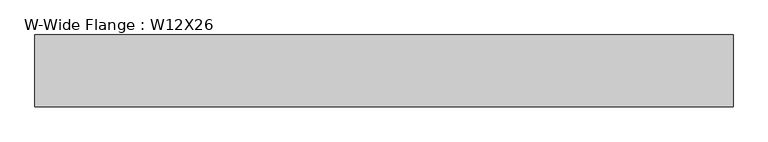
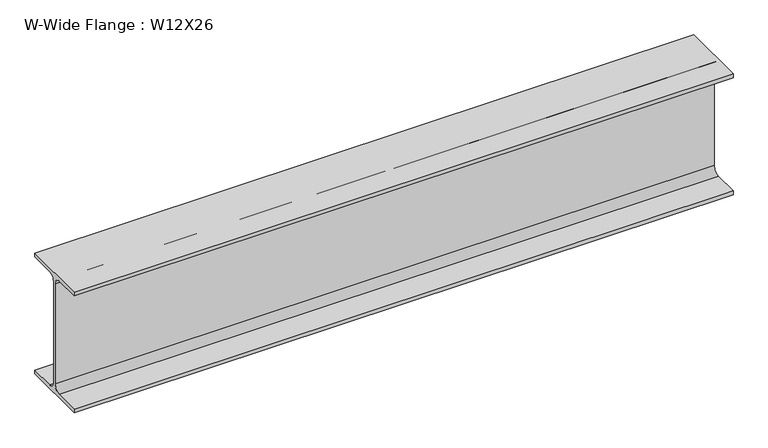
"""IFC4 building model written with IfcOpenShell, lengths in millimetres: beam geometry, W-Wide Flange : W12X26."""

import ifcopenshell
import ifcopenshell.guid

model = None  # the IFC model being written
_history = None  # IfcOwnerHistory: only IFC2X3 demands one
_inside = {}  # id of a spatial element -> (the spatial element, [elements in it])
_under = {}  # id of a project, library or spatial element -> (it, [spatial elements below it])
_declared = {}  # id of a project -> (the project, [libraries it declares])
_typed = {}  # id of a type object -> (the type object, [elements of that type])
_made_of = {}  # id of a material, layer set ... -> (it, [elements and type objects made of it])


def new_model(schema):
    """Start an empty IFC model of exactly this schema.

    Asked for "IFC4X3", IfcOpenShell would pick the latest addendum, in which some entities
    have other attributes; the version numbers below select the first issue.
    IFC2X3 requires an IfcOwnerHistory on every rooted entity: one is made here for all.
    """
    global model, _history
    if schema == "IFC4X3":
        model = ifcopenshell.file(schema_version=(4, 3, 0, 0))
    else:
        model = ifcopenshell.file(schema=schema)
    _inside.clear()
    _under.clear()
    _declared.clear()
    _typed.clear()
    _made_of.clear()
    _history = None
    if model.schema == "IFC2X3":
        org = make("IfcOrganization", Name="unknown")
        user = make(
            "IfcPersonAndOrganization",
            ThePerson=make("IfcPerson", FamilyName="unknown"),
            TheOrganization=org,
        )
        app = make(
            "IfcApplication",
            ApplicationDeveloper=org,
            Version="unknown",
            ApplicationFullName="unknown",
            ApplicationIdentifier="unknown",
        )
        _history = make(
            "IfcOwnerHistory",
            OwningUser=user,
            OwningApplication=app,
            ChangeAction="ADDED",
            CreationDate=0,
        )
    return model


def make(cls, **values):
    """One entity of the class cls with the attributes given. An attribute that is None is left unset."""
    return model.create_entity(
        cls, **{name: value for name, value in values.items() if value is not None}
    )


def rooted(cls, **values):
    """An entity with a GlobalId (a new one), such as an element, a storey or a relation."""
    return make(cls, GlobalId=ifcopenshell.guid.new(), OwnerHistory=_history, **values)


def si_unit(unit_type, name, prefix=None):
    """IfcSIUnit, for example si_unit("LENGTHUNIT", "METRE", prefix="MILLI")."""
    return make("IfcSIUnit", UnitType=unit_type, Prefix=prefix, Name=name)


def assignment(units):
    """IfcUnitAssignment: the units of a project."""
    return None if units is None else make("IfcUnitAssignment", Units=units)


def point(xyz):
    """IfcCartesianPoint."""
    return None if xyz is None else make("IfcCartesianPoint", Coordinates=xyz)


def direction(xyz):
    """IfcDirection."""
    return None if xyz is None else make("IfcDirection", DirectionRatios=xyz)


def frame(location, z_axis=None, x_axis=None):
    """IfcAxis2Placement3D, a coordinate frame: its origin and axes. An axis left out is left unset."""
    return make(
        "IfcAxis2Placement3D",
        Location=point(location),
        Axis=direction(z_axis),
        RefDirection=direction(x_axis),
    )


def frame_2d(location, x_axis=None):
    """IfcAxis2Placement2D, a coordinate frame in the plane: its origin and x axis."""
    return make(
        "IfcAxis2Placement2D", Location=point(location), RefDirection=direction(x_axis)
    )


def origin():
    """The frame at (0, 0, 0) with its axes left unset."""
    return frame((0.0, 0.0, 0.0))


def place(relative_to, where):
    """IfcLocalPlacement: puts the frame where relative to a parent placement (None: the world)."""
    return make(
        "IfcLocalPlacement", PlacementRelTo=relative_to, RelativePlacement=where
    )


def context(
    kind, dimensions, precision=None, world=None, true_north=None, identifier=None
):
    """IfcGeometricRepresentationContext, for example the 3D "Model" context."""
    return make(
        "IfcGeometricRepresentationContext",
        ContextIdentifier=identifier,
        ContextType=kind,
        CoordinateSpaceDimension=dimensions,
        Precision=precision,
        WorldCoordinateSystem=world,
        TrueNorth=true_north,
    )


def project(units=None, contexts=None):
    """IfcProject with its units and contexts."""
    return rooted(
        "IfcProject",
        Name="project",
        RepresentationContexts=contexts,
        UnitsInContext=assignment(units),
    )


def spatial(cls, under=None, at=None, **own):
    """A site, building, storey or space (cls), placed at a placement, below another one or the project."""
    s = rooted(cls, ObjectPlacement=at, **own)
    if under is not None:
        _under.setdefault(under.id(), (under, []))[1].append(s)
    return s


def polyline(points):
    """IfcPolyline through the points."""
    return make("IfcPolyline", Points=[point(p) for p in points])


def circle_curve(where, radius):
    """IfcCircle in the frame where."""
    return make("IfcCircle", Position=where, Radius=radius)


def trimmed(basis, trim1, trim2, sense, master):
    """IfcTrimmedCurve: the piece of a basis curve between two trims."""
    return make(
        "IfcTrimmedCurve",
        BasisCurve=basis,
        Trim1=trim1,
        Trim2=trim2,
        SenseAgreement=sense,
        MasterRepresentation=master,
    )


def segment(curve, same_sense, transition):
    """IfcCompositeCurveSegment."""
    return make(
        "IfcCompositeCurveSegment",
        Transition=transition,
        SameSense=same_sense,
        ParentCurve=curve,
    )


def composite_curve(segments, self_intersect=None):
    """IfcCompositeCurve: segments joined end to end."""
    return make("IfcCompositeCurve", Segments=segments, SelfIntersect=self_intersect)


def outline(outer, holes=None, kind="AREA"):
    """IfcArbitraryClosedProfileDef: a profile drawn as a closed curve; with holes, ...WithVoids."""
    if holes is None:
        return make("IfcArbitraryClosedProfileDef", ProfileType=kind, OuterCurve=outer)
    return make(
        "IfcArbitraryProfileDefWithVoids",
        ProfileType=kind,
        OuterCurve=outer,
        InnerCurves=holes,
    )


def extrude(swept, where, along, depth):
    """IfcExtrudedAreaSolid: the profile swept, set in the frame where, extruded along a direction by depth."""
    return make(
        "IfcExtrudedAreaSolid",
        SweptArea=swept,
        Position=where,
        ExtrudedDirection=direction(along),
        Depth=depth,
    )


def shape(context_of_items, identifier, shape_type, items):
    """IfcShapeRepresentation: the items that make up one representation, for example the "Body"."""
    return make(
        "IfcShapeRepresentation",
        ContextOfItems=context_of_items,
        RepresentationIdentifier=identifier,
        RepresentationType=shape_type,
        Items=items,
    )


def source(mapping_origin, context_of_items, identifier, shape_type, items):
    """IfcRepresentationMap: a shape defined once, which mapped items show again and again."""
    return make(
        "IfcRepresentationMap",
        MappingOrigin=mapping_origin,
        MappedRepresentation=shape(context_of_items, identifier, shape_type, items),
    )


def transform(
    local_origin,
    x_axis=None,
    y_axis=None,
    z_axis=None,
    scale=None,
    scale2=None,
    scale3=None,
    uniform=True,
):
    """IfcCartesianTransformationOperator3D, or its non-uniform kind. x_axis, y_axis, z_axis: its Axis1, 2, 3."""
    if uniform:
        return make(
            "IfcCartesianTransformationOperator3D",
            Axis1=direction(x_axis),
            Axis2=direction(y_axis),
            LocalOrigin=point(local_origin),
            Scale=scale,
            Axis3=direction(z_axis),
        )
    return make(
        "IfcCartesianTransformationOperator3DnonUniform",
        Axis1=direction(x_axis),
        Axis2=direction(y_axis),
        LocalOrigin=point(local_origin),
        Scale=scale,
        Axis3=direction(z_axis),
        Scale2=scale2,
        Scale3=scale3,
    )


def mapped(mapping_source, mapping_target):
    """IfcMappedItem: shows the shape of a source again, moved by a transform."""
    return make(
        "IfcMappedItem", MappingSource=mapping_source, MappingTarget=mapping_target
    )


def made_of(thing, what):
    """Note that an element or type object is made of a material, layer set ...; save() writes the relation."""
    if what is not None:
        _made_of.setdefault(what.id(), (what, []))[1].append(thing)
    return thing


def element(
    cls,
    number,
    at=None,
    inside=None,
    cuts=None,
    type_object=None,
    material=None,
    context=None,
    identifier="Body",
    shape_type=None,
    held_by="IfcProductDefinitionShape",
    body=None,
    shapes=None,
    **own,
):
    """One element of the class cls, such as IfcWall. Its Tag is "e" and its number.

    at: its placement. inside: the storey or other place that contains it. cuts: it is an
    opening in that element (IfcRelVoidsElement). A single representation is given by context,
    identifier, shape_type and body (its items); several are given by shapes. held_by: the class
    of the entity that holds the representations. save() writes the other relations.
    """
    e = rooted(cls, Tag="e%d" % number, ObjectPlacement=at, **own)
    if body is not None:
        shapes = [shape(context, identifier, shape_type, body)]
    if shapes is not None:
        e.Representation = make(held_by, Representations=shapes)
    if inside is not None:
        _inside.setdefault(inside.id(), (inside, []))[1].append(e)
    if cuts is not None:
        rooted(
            "IfcRelVoidsElement", RelatingBuildingElement=cuts, RelatedOpeningElement=e
        )
    if type_object is not None:
        _typed.setdefault(type_object.id(), (type_object, []))[1].append(e)
    return made_of(e, material)


def aggregate(whole, parts):
    """IfcRelAggregates: a whole, such as a stair, and the parts it consists of."""
    return rooted("IfcRelAggregates", RelatingObject=whole, RelatedObjects=parts)


def save(model, path):
    """Write the relations noted so far, then the file.

    IfcRelAggregates (storeys below a building ...), IfcRelContainedInSpatialStructure (elements
    in a storey), IfcRelDefinesByType, IfcRelAssociatesMaterial and IfcRelDeclares: one each for
    every whole, place, type object, material and project.
    """
    for whole, parts in _under.values():
        aggregate(whole, parts)
    for where, things in _inside.values():
        rooted(
            "IfcRelContainedInSpatialStructure",
            RelatedElements=things,
            RelatingStructure=where,
        )
    for kind, things in _typed.values():
        rooted("IfcRelDefinesByType", RelatedObjects=things, RelatingType=kind)
    for what, things in _made_of.values():
        rooted("IfcRelAssociatesMaterial", RelatedObjects=things, RelatingMaterial=what)
    for by, libraries in _declared.values():
        rooted("IfcRelDeclares", RelatingContext=by, RelatedDefinitions=libraries)
    model.write(path)


def w_wide_flange_w12x26_be58758b(model_context):
    return source(origin(), model_context, "Body", "SweptSolid", [
        extrude(outline(composite_curve([segment(polyline([(82.4011719, -145.5539063), (82.4011719, -155.178125), (-82.4011719, -155.178125), (-82.4011719, -145.5539063), (-20.2902344, -145.5539063)]), True, "CONTINUOUS"), segment(trimmed(circle_curve(frame_2d((-20.2902344, -128.190625)), 17.3632812), [point((-20.2902344, -145.5539063))], [point((-2.9269531, -128.190625))], True, "CARTESIAN"), True, "CONTINUOUS"), segment(polyline([(-2.9269531, -128.190625), (-2.9269531, 128.190625)]), True, "CONTINUOUS"), segment(trimmed(circle_curve(frame_2d((-20.2902344, 128.190625)), 17.3632812), [point((-2.9269531, 128.190625))], [point((-20.2902344, 145.5539062))], True, "CARTESIAN"), True, "CONTINUOUS"), segment(polyline([(-20.2902344, 145.5539062), (-82.4011719, 145.5539062), (-82.4011719, 155.178125), (82.4011719, 155.178125), (82.4011719, 145.5539062), (20.2902344, 145.5539062)]), True, "CONTINUOUS"), segment(trimmed(circle_curve(frame_2d((20.2902344, 128.190625)), 17.3632812), [point((20.2902344, 145.5539062))], [point((2.9269531, 128.190625))], True, "CARTESIAN"), True, "CONTINUOUS"), segment(polyline([(2.9269531, 128.190625), (2.9269531, -128.190625)]), True, "CONTINUOUS"), segment(trimmed(circle_curve(frame_2d((20.2902344, -128.190625)), 17.3632812), [point((2.9269531, -128.190625))], [point((20.2902344, -145.5539063))], True, "CARTESIAN"), True, "CONTINUOUS"), segment(polyline([(20.2902344, -145.5539063), (82.4011719, -145.5539063)]), True, "CONTINUOUS")], self_intersect=False)), frame((-555.049307, 0.0, 0.0), z_axis=(1.0, 0.0, 0.0), x_axis=(0.0, 1.0, 0.0)), (0.0, 0.0, 1.0), 1600.814932),
    ])


if __name__ == "__main__":
    model = new_model("IFC4")
    model_context = context("Model", 3, world=origin())
    ifc_project = project(units=[si_unit("LENGTHUNIT", "METRE", prefix="MILLI")], contexts=[model_context])
    site = spatial("IfcSite", under=ifc_project)
    building = spatial("IfcBuilding", under=site)
    placement = place(None, origin())
    w_wide_flange_w12x26_shape = w_wide_flange_w12x26_be58758b(model_context)
    element("IfcBeam", 1, ObjectType="W-Wide Flange : W12X26", at=placement, inside=building, context=model_context, shape_type="MappedRepresentation", body=[
        mapped(w_wide_flange_w12x26_shape, transform((0.0, 0.0, 0.0), x_axis=(1.0, 0.0, 0.0), y_axis=(0.0, 1.0, 0.0), z_axis=(0.0, 0.0, 1.0))),
    ])
    save(model, "model.ifc")
